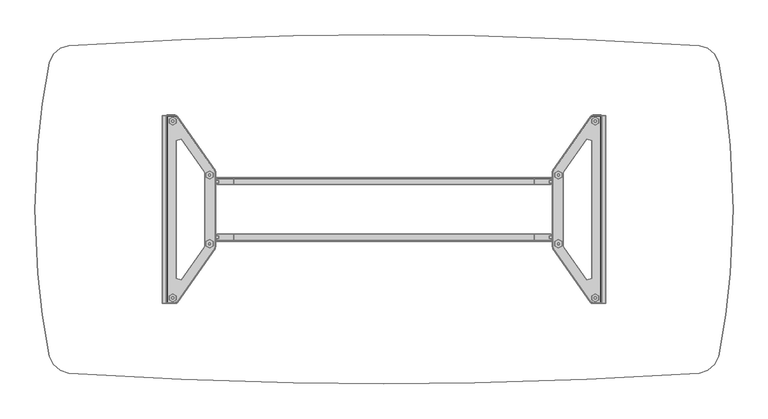
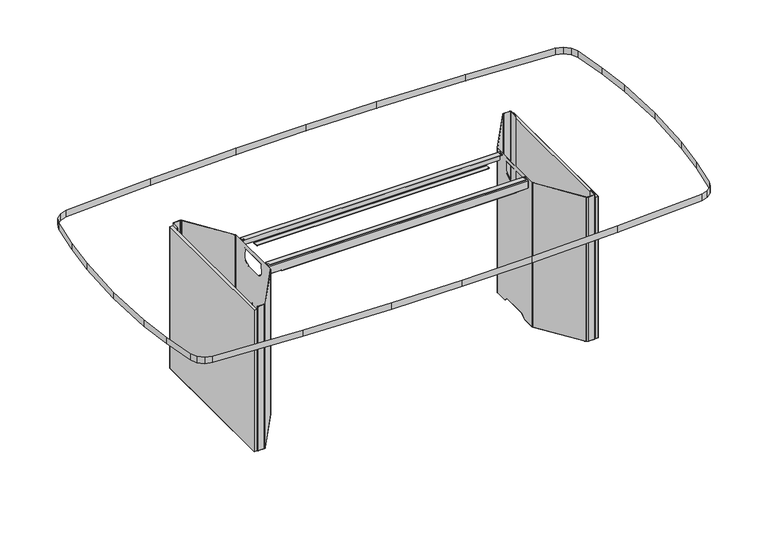
"""IFC4 building model written with IfcOpenShell, lengths in millimetres: furniture geometry."""

from ifc_helpers import new_model, si_unit, origin, place, context, project, spatial, triangles, source, transform, mapped, element, save


def furniture_b16a77d5(model_context):
    return source(origin(), model_context, "Body", "Tessellation", [
        triangles([(583.4141347, 106.9787172, 691.650079), (-583.3861931, 106.9787172, 691.650079), (-583.3861931, 108.4155572, 691.0549118), (583.4141347, 108.4155572, 691.0549118), (-583.3861931, 109.0107153, 689.6180809), (583.4141347, 109.0107153, 689.6180809), (-523.3861854, 109.0107153, 652.8000521), (-523.3861854, 108.3497, 651.4822546), (523.414127, 108.3497, 651.4822546), (523.414127, 109.002549, 652.8000521), (-523.3861854, 106.9787172, 650.9500923), (523.414127, 106.9787172, 650.9500923), (-583.3861931, 109.0107153, 656.3000565), (583.4141347, 109.0107153, 656.3000565), (-581.3862062, 109.0107153, 654.3001059), (581.4141478, 109.0107153, 654.3001059), (-524.8862028, 109.0107153, 654.3001059), (524.9141444, 109.0107153, 654.3001059), (-523.3861854, 88.7107189, 650.9500923), (523.414127, 88.7107189, 650.9500923), (-521.3861984, 86.7107138, 650.9500923), (521.41414, 86.7107138, 650.9500923), (-583.3861931, 101.5907194, 691.650079), (583.4141347, 101.5907194, 691.650079), (581.4141478, 86.7107138, 691.650079), (-581.3862062, 86.7107138, 691.650079), (-583.3861931, 88.7107189, 691.650079), (583.4141347, 88.7107189, 691.650079), (-583.3861931, 92.0907179, 691.650079), (583.4141347, 92.0907179, 691.650079), (-575.7461798, 92.0907179, 691.650079), (-575.7461798, 101.5907194, 691.650079), (575.7741214, 101.5907194, 691.650079), (575.7741214, 92.0907179, 691.650079), (581.4141478, 86.7107138, 694.3000626), (583.4141347, 88.7107189, 694.3000626), (-583.3861931, 88.7107189, 694.3000626), (-581.3862062, 86.7107138, 694.3000626), (583.4141347, 92.0907179, 694.3000626), (-583.3861931, 92.0907179, 694.3000626), (-575.7461798, 92.0907179, 694.3000626), (575.7741214, 92.0907179, 694.3000626), (575.7741214, 101.5907194, 694.3000626), (-575.7461798, 101.5907194, 694.3000626), (-583.3861931, 101.5907194, 694.3000626), (583.4141347, 101.5907194, 694.3000626), (583.4141347, 106.9787172, 694.3000626), (-583.3861931, 106.9787172, 694.3000626), (583.4141347, 110.2893891, 692.92878), (-583.3861931, 110.2893891, 692.92878), (583.4141347, 111.6607171, 689.6180809), (-583.3861931, 111.6607171, 689.6180809), (583.4141347, 111.6607171, 656.3000565), (-583.3861931, 111.6607171, 656.3000565), (581.4141478, 111.6607171, 654.3001059), (-581.3862062, 111.6607171, 654.3001059), (-524.8862028, 111.6607171, 654.3001059), (524.9141444, 111.6607171, 654.3001059), (523.414127, 111.6607171, 652.8000521), (-523.3861854, 111.6607171, 652.8000521), (523.414127, 110.2244039, 649.6076597), (-523.3861854, 110.2244039, 649.6076597), (523.414127, 106.9787172, 648.3001087), (-523.3861854, 106.9787172, 648.3001087), (523.414127, 88.7107189, 648.3001087), (-523.3861854, 88.7107189, 648.3001087), (521.41414, 86.7107138, 648.3001087), (-521.3861984, 86.7107138, 648.3001087), (583.4141347, -108.0461212, 691.0549118), (-583.3861931, -108.0461212, 691.0549118), (-583.3861931, -106.6092812, 691.650079), (583.4141347, -106.6092812, 691.650079), (583.4141347, -108.6412793, 689.6180809), (-583.3861931, -108.6412793, 689.6180809), (523.414127, -108.633113, 652.8000521), (523.414127, -107.980264, 651.4822546), (-523.3861854, -107.980264, 651.4822546), (-523.3861854, -108.6412793, 652.8000521), (523.414127, -106.6092812, 650.9500923), (-523.3861854, -106.6092812, 650.9500923), (583.4141347, -108.6412793, 656.3000565), (-583.3861931, -108.6412793, 656.3000565), (581.4141478, -108.6412793, 654.3001059), (-581.3862062, -108.6412793, 654.3001059), (524.9141444, -108.6412793, 654.3001059), (-524.8862028, -108.6412793, 654.3001059), (523.414127, -88.3412829, 650.9500923), (-523.3861854, -88.3412829, 650.9500923), (521.41414, -86.3412778, 650.9500923), (-521.3861984, -86.3412778, 650.9500923), (583.4141347, -101.2212834, 691.650079), (-583.3861931, -101.2212834, 691.650079), (583.4141347, -88.3412829, 691.650079), (-583.3861931, -88.3412829, 691.650079), (-581.3862062, -86.3412778, 691.650079), (581.4141478, -86.3412778, 691.650079), (583.4141347, -91.7212819, 691.650079), (-583.3861931, -91.7212819, 691.650079), (575.7741214, -91.7212819, 691.650079), (575.7741214, -101.2212834, 691.650079), (-575.7461798, -101.2212834, 691.650079), (-575.7461798, -91.7212819, 691.650079), (-581.3862062, -86.3412778, 694.3000626), (-583.3861931, -88.3412829, 694.3000626), (583.4141347, -88.3412829, 694.3000626), (581.4141478, -86.3412778, 694.3000626), (-583.3861931, -91.7212819, 694.3000626), (583.4141347, -91.7212819, 694.3000626), (-575.7461798, -101.2212834, 694.3000626), (575.7741214, -101.2212834, 694.3000626), (575.7741214, -91.7212819, 694.3000626), (-575.7461798, -91.7212819, 694.3000626), (-583.3861931, -106.6092812, 694.3000626), (583.4141347, -106.6092812, 694.3000626), (583.4141347, -101.2212834, 694.3000626), (-583.3861931, -101.2212834, 694.3000626), (-583.3861931, -109.919953, 692.92878), (583.4141347, -109.919953, 692.92878), (-583.3861931, -111.291281, 689.6180809), (583.4141347, -111.291281, 689.6180809), (-583.3861931, -111.291281, 656.3000565), (583.4141347, -111.291281, 656.3000565), (-581.3862062, -111.291281, 654.3001059), (581.4141478, -111.291281, 654.3001059), (-523.3861854, -111.291281, 652.8000521), (523.414127, -111.291281, 652.8000521), (524.9141444, -111.291281, 654.3001059), (-524.8862028, -111.291281, 654.3001059), (-523.3861854, -109.8549679, 649.6076597), (523.414127, -109.8549679, 649.6076597), (-523.3861854, -106.6092812, 648.3001087), (523.414127, -106.6092812, 648.3001087), (-523.3861854, -88.3412829, 648.3001087), (523.414127, -88.3412829, 648.3001087), (-521.3861984, -86.3412778, 648.3001087), (521.41414, -86.3412778, 648.3001087)], [[1, 2, 3], [1, 3, 4], [3, 5, 6], [3, 6, 4], [7, 8, 9], [7, 9, 10], [9, 8, 11], [9, 11, 12], [6, 5, 13], [6, 13, 14], [13, 15, 16], [13, 16, 14], [17, 7, 10], [17, 10, 18], [12, 11, 19], [12, 19, 20], [19, 21, 22], [19, 22, 20], [23, 2, 1], [23, 1, 24], [25, 26, 27], [25, 27, 28], [27, 29, 30], [27, 30, 28], [31, 32, 33], [31, 33, 34], [35, 36, 37], [35, 37, 38], [37, 36, 39], [37, 39, 40], [41, 42, 43], [41, 43, 44], [45, 46, 47], [45, 47, 48], [47, 49, 50], [47, 50, 48], [50, 49, 51], [50, 51, 52], [51, 53, 54], [51, 54, 52], [54, 53, 55], [54, 55, 56], [57, 58, 59], [57, 59, 60], [59, 61, 62], [59, 62, 60], [62, 61, 63], [62, 63, 64], [63, 65, 66], [63, 66, 64], [66, 65, 67], [66, 67, 68], [28, 36, 35], [28, 35, 25], [39, 36, 28], [39, 28, 30], [34, 42, 39], [34, 39, 30], [43, 42, 34], [43, 34, 33], [24, 46, 43], [24, 43, 33], [47, 46, 24], [47, 24, 1], [4, 49, 47], [4, 47, 1], [51, 49, 4], [51, 4, 6], [14, 53, 51], [14, 51, 6], [55, 53, 14], [55, 14, 16], [18, 58, 55], [18, 55, 16], [59, 58, 18], [59, 18, 10], [9, 61, 59], [9, 59, 10], [63, 61, 9], [63, 9, 12], [65, 63, 12], [65, 12, 20], [22, 67, 20], [67, 65, 20], [22, 21, 68], [22, 68, 67], [35, 38, 26], [35, 26, 25], [26, 38, 37], [26, 37, 27], [37, 40, 27], [40, 29, 27], [29, 40, 41], [29, 41, 31], [41, 44, 31], [44, 32, 31], [32, 44, 45], [32, 45, 23], [45, 48, 23], [48, 2, 23], [2, 48, 50], [2, 50, 3], [50, 52, 5], [50, 5, 3], [5, 52, 54], [5, 54, 13], [54, 56, 15], [54, 15, 13], [15, 56, 57], [15, 57, 17], [57, 60, 7], [57, 7, 17], [7, 60, 62], [7, 62, 8], [62, 64, 11], [62, 11, 8], [64, 66, 19], [64, 19, 11], [19, 66, 68], [19, 68, 21], [69, 70, 71], [69, 71, 72], [69, 73, 74], [69, 74, 70], [75, 76, 77], [75, 77, 78], [79, 80, 77], [79, 77, 76], [81, 82, 74], [81, 74, 73], [81, 83, 84], [81, 84, 82], [85, 75, 78], [85, 78, 86], [87, 88, 80], [87, 80, 79], [87, 89, 90], [87, 90, 88], [91, 72, 71], [91, 71, 92], [93, 94, 95], [93, 95, 96], [93, 97, 98], [93, 98, 94], [99, 100, 101], [99, 101, 102], [103, 104, 105], [103, 105, 106], [107, 108, 105], [107, 105, 104], [109, 110, 111], [109, 111, 112], [113, 114, 115], [113, 115, 116], [113, 117, 118], [113, 118, 114], [119, 120, 118], [119, 118, 117], [119, 121, 122], [119, 122, 120], [123, 124, 122], [123, 122, 121], [125, 126, 127], [125, 127, 128], [125, 129, 130], [125, 130, 126], [131, 132, 130], [131, 130, 129], [131, 133, 134], [131, 134, 132], [135, 136, 134], [135, 134, 133], [96, 106, 105], [96, 105, 93], [97, 93, 105], [97, 105, 108], [97, 108, 111], [97, 111, 99], [100, 99, 111], [100, 111, 110], [100, 110, 115], [100, 115, 91], [72, 91, 115], [72, 115, 114], [72, 114, 118], [72, 118, 69], [73, 69, 118], [73, 118, 120], [73, 120, 122], [73, 122, 81], [83, 81, 122], [83, 122, 124], [83, 124, 127], [83, 127, 85], [75, 85, 127], [75, 127, 126], [75, 126, 130], [75, 130, 76], [79, 76, 132], [76, 130, 132], [87, 79, 134], [79, 132, 134], [87, 134, 136], [87, 136, 89], [136, 135, 90], [136, 90, 89], [96, 95, 103], [96, 103, 106], [94, 104, 103], [94, 103, 95], [94, 98, 107], [94, 107, 104], [102, 112, 107], [102, 107, 98], [102, 101, 109], [102, 109, 112], [92, 116, 109], [92, 109, 101], [92, 71, 113], [92, 113, 116], [70, 117, 113], [70, 113, 71], [70, 74, 117], [74, 119, 117], [82, 121, 119], [82, 119, 74], [82, 84, 121], [84, 123, 121], [86, 128, 123], [86, 123, 84], [86, 78, 128], [78, 125, 128], [77, 129, 125], [77, 125, 78], [77, 80, 131], [77, 131, 129], [80, 88, 133], [80, 133, 131], [90, 135, 88], [135, 133, 88]], closed=False),
        triangles([(741.7913498, 308.8000102, 68.9610977), (740.3964495, 305.4324105, 68.9610977), (740.3964495, 305.4324105, 7.8740998), (741.7913498, 308.8000102, 7.8740998), (737.0288498, 304.037492, 68.9610977), (737.0288498, 304.037492, 7.8740998), (733.6612501, 305.4324105, 68.9610977), (733.6612501, 305.4324105, 7.8740998), (732.2663498, 308.8000102, 68.9610977), (732.2663498, 308.8000102, 7.8740998), (733.6612501, 312.1676099, 68.9610977), (733.6612501, 312.1676099, 7.8740998), (737.0288498, 313.5625102, 68.9610977), (737.0288498, 313.5625102, 7.8740998), (740.3964495, 312.1676099, 68.9610977), (740.3964495, 312.1676099, 7.8740998), (737.0288498, 311.7082993, 0.0001), (734.4888159, 310.2917433, 0.0001), (724.3288256, 316.2587482, 3.669326), (737.0288498, 323.3414918, 3.5708925), (734.4888159, 307.3082408, 0.0001), (724.3288256, 301.3412358, 3.669326), (737.0288498, 305.8916848, 0.0001), (737.0288498, 294.2584923, 3.5708925), (739.5688837, 307.3082408, 0.0001), (749.728874, 301.3412358, 3.669326), (739.5688837, 310.2917433, 0.0001), (749.728874, 316.2587482, 3.669326), (724.3288256, 301.3412358, 7.8740998), (724.3288256, 316.2587482, 7.8740998), (737.0288498, 323.3414918, 7.8740998), (749.728874, 316.2587482, 7.8740998), (749.728874, 301.3412358, 7.8740998), (737.0288498, 294.2584923, 7.8740998), (613.3413414, 119.9993887, 68.9610977), (611.9464411, 116.6317981, 68.9610977), (611.9464411, 116.6317981, 7.8740998), (613.3413414, 119.9993887, 7.8740998), (608.5788777, 115.2368887, 68.9610977), (608.5788777, 115.2368887, 7.8740998), (605.2112781, 116.6317981, 68.9610977), (605.2112781, 116.6317981, 7.8740998), (603.8163777, 119.9993887, 68.9610977), (603.8163777, 119.9993887, 7.8740998), (605.2112781, 123.3669883, 68.9610977), (605.2112781, 123.3669883, 7.8740998), (608.5788777, 124.7618887, 68.9610977), (608.5788777, 124.7618887, 7.8740998), (611.9464411, 123.3669883, 68.9610977), (611.9464411, 123.3669883, 7.8740998), (608.5788777, 122.9076868, 0.0001), (606.0388438, 121.4911399, 0.0001), (595.8788535, 127.4581449, 3.669326), (608.5788777, 134.5408884, 3.5708925), (606.0388438, 118.5076374, 0.0001), (595.8788535, 112.5406325, 3.669326), (608.5788777, 117.0910905, 0.0001), (608.5788777, 105.4578889, 3.5708925), (611.1188753, 118.5076374, 0.0001), (621.2788656, 112.5406325, 3.669326), (611.1188753, 121.4911399, 0.0001), (621.2788656, 127.4581449, 3.669326), (595.8788535, 112.5406325, 7.8740998), (595.8788535, 127.4581449, 7.8740998), (608.5788777, 134.5408884, 7.8740998), (621.2788656, 127.4581449, 7.8740998), (621.2788656, 112.5406325, 7.8740998), (608.5788777, 105.4578889, 7.8740998), (613.3413414, -120.0006059, 68.9610977), (611.9464411, -123.3682056, 68.9610977), (611.9464411, -123.3682056, 7.8740998), (613.3413414, -120.0006059, 7.8740998), (608.5788777, -124.7631059, 68.9610977), (608.5788777, -124.7631059, 7.8740998), (605.2112781, -123.3682056, 68.9610977), (605.2112781, -123.3682056, 7.8740998), (603.8163777, -120.0006059, 68.9610977), (603.8163777, -120.0006059, 7.8740998), (605.2112781, -116.6330153, 68.9610977), (605.2112781, -116.6330153, 7.8740998), (608.5788777, -115.2381059, 68.9610977), (608.5788777, -115.2381059, 7.8740998), (611.9464411, -116.6330153, 68.9610977), (611.9464411, -116.6330153, 7.8740998), (608.5788777, -117.0923078, 0.0001), (606.0388438, -118.5088547, 0.0001), (595.8788535, -112.5418497, 3.669326), (608.5788777, -105.4591061, 3.5708925), (606.0388438, -121.4923662, 0.0001), (595.8788535, -127.4593712, 3.669326), (608.5788777, -122.9089131, 0.0001), (608.5788777, -134.5421057, 3.5708925), (611.1188753, -121.4923662, 0.0001), (621.2788656, -127.4593712, 3.669326), (611.1188753, -118.5088547, 0.0001), (621.2788656, -112.5418497, 3.669326), (595.8788535, -127.4593712, 7.8740998), (595.8788535, -112.5418497, 7.8740998), (608.5788777, -105.4591061, 7.8740998), (621.2788656, -112.5418497, 7.8740998), (621.2788656, -127.4593712, 7.8740998), (608.5788777, -134.5421057, 7.8740998), (741.7913498, -308.8000102, 68.9610977), (740.3964495, -312.1676099, 68.9610977), (740.3964495, -312.1676099, 7.8740998), (741.7913498, -308.8000102, 7.8740998), (737.0288498, -313.5625102, 68.9610977), (737.0288498, -313.5625102, 7.8740998), (733.6612501, -312.1676099, 68.9610977), (733.6612501, -312.1676099, 7.8740998), (732.2663498, -308.8000102, 68.9610977), (732.2663498, -308.8000102, 7.8740998), (733.6612501, -305.4324105, 68.9610977), (733.6612501, -305.4324105, 7.8740998), (737.0288498, -304.037492, 68.9610977), (737.0288498, -304.037492, 7.8740998), (740.3964495, -305.4324105, 68.9610977), (740.3964495, -305.4324105, 7.8740998), (737.0288498, -305.8916848, 0.0001), (734.4888159, -307.3082408, 0.0001), (724.3288256, -301.3412358, 3.669326), (737.0288498, -294.2584923, 3.5708925), (734.4888159, -310.2917433, 0.0001), (724.3288256, -316.2587482, 3.669326), (737.0288498, -311.7082993, 0.0001), (737.0288498, -323.3414918, 3.5708925), (739.5688837, -310.2917433, 0.0001), (749.728874, -316.2587482, 3.669326), (739.5688837, -307.3082408, 0.0001), (749.728874, -301.3412358, 3.669326), (724.3288256, -316.2587482, 7.8740998), (724.3288256, -301.3412358, 7.8740998), (737.0288498, -294.2584923, 7.8740998), (749.728874, -301.3412358, 7.8740998), (749.728874, -316.2587482, 7.8740998), (737.0288498, -323.3414918, 7.8740998), (-741.8023956, 308.8000102, 7.8740998), (-740.4074953, 305.4324105, 7.8740998), (-740.4074953, 305.4324105, 68.9610977), (-741.8023956, 308.8000102, 68.9610977), (-737.0398956, 304.037492, 7.8740998), (-737.0398956, 304.037492, 68.9610977), (-733.672296, 305.4324105, 7.8740998), (-733.672296, 305.4324105, 68.9610977), (-732.2773956, 308.8000102, 7.8740998), (-732.2773956, 308.8000102, 68.9610977), (-733.672296, 312.1676099, 7.8740998), (-733.672296, 312.1676099, 68.9610977), (-737.0398956, 313.5625102, 7.8740998), (-737.0398956, 313.5625102, 68.9610977), (-740.4074953, 312.1676099, 7.8740998), (-740.4074953, 312.1676099, 68.9610977), (-737.0398956, 323.3414918, 3.5708925), (-724.3398714, 316.2587482, 3.669326), (-734.4998617, 310.2917433, 0.0001), (-737.0398956, 311.7082993, 0.0001), (-734.4998617, 307.3082408, 0.0001), (-724.3398714, 301.3412358, 3.669326), (-737.0398956, 294.2584923, 3.5708925), (-737.0398956, 305.8916848, 0.0001), (-749.7398472, 301.3412358, 3.669326), (-739.5798569, 307.3082408, 0.0001), (-749.7398472, 316.2587482, 3.669326), (-739.5798569, 310.2917433, 0.0001), (-724.3398714, 316.2587482, 7.8740998), (-724.3398714, 301.3412358, 7.8740998), (-737.0398956, 323.3414918, 7.8740998), (-749.7398472, 316.2587482, 7.8740998), (-749.7398472, 301.3412358, 7.8740998), (-737.0398956, 294.2584923, 7.8740998), (-613.3523872, 119.9993887, 7.8740998), (-611.9574869, 116.6317981, 7.8740998), (-611.9574869, 116.6317981, 68.9610977), (-613.3523872, 119.9993887, 68.9610977), (-608.5898872, 115.2368887, 7.8740998), (-608.5898872, 115.2368887, 68.9610977), (-605.2222876, 116.6317981, 7.8740998), (-605.2222876, 116.6317981, 68.9610977), (-603.8273872, 119.9993887, 7.8740998), (-603.8273872, 119.9993887, 68.9610977), (-605.2222876, 123.3669883, 7.8740998), (-605.2222876, 123.3669883, 68.9610977), (-608.5898872, 124.7618887, 7.8740998), (-608.5898872, 124.7618887, 68.9610977), (-611.9574869, 123.3669883, 7.8740998), (-611.9574869, 123.3669883, 68.9610977), (-608.5898872, 134.5408884, 3.5708925), (-595.8898993, 127.4581449, 3.669326), (-606.0498897, 121.4911399, 0.0001), (-608.5898872, 122.9076868, 0.0001), (-606.0498897, 118.5076374, 0.0001), (-595.8898993, 112.5406325, 3.669326), (-608.5898872, 105.4578889, 3.5708925), (-608.5898872, 117.0910905, 0.0001), (-621.2899115, 112.5406325, 3.669326), (-611.1298485, 118.5076374, 0.0001), (-621.2899115, 127.4581449, 3.669326), (-611.1298485, 121.4911399, 0.0001), (-595.8898993, 127.4581449, 7.8740998), (-595.8898993, 112.5406325, 7.8740998), (-608.5898872, 134.5408884, 7.8740998), (-621.2899115, 127.4581449, 7.8740998), (-621.2899115, 112.5406325, 7.8740998), (-608.5898872, 105.4578889, 7.8740998), (-613.3523872, -120.0006059, 7.8740998), (-611.9574869, -123.3682056, 7.8740998), (-611.9574869, -123.3682056, 68.9610977), (-613.3523872, -120.0006059, 68.9610977), (-608.5898872, -124.7631059, 7.8740998), (-608.5898872, -124.7631059, 68.9610977), (-605.2222876, -123.3682056, 7.8740998), (-605.2222876, -123.3682056, 68.9610977), (-603.8273872, -120.0006059, 7.8740998), (-603.8273872, -120.0006059, 68.9610977), (-605.2222876, -116.6330153, 7.8740998), (-605.2222876, -116.6330153, 68.9610977), (-608.5898872, -115.2381059, 7.8740998), (-608.5898872, -115.2381059, 68.9610977), (-611.9574869, -116.6330153, 7.8740998), (-611.9574869, -116.6330153, 68.9610977), (-608.5898872, -105.4591061, 3.5708925), (-595.8898993, -112.5418497, 3.669326), (-606.0498897, -118.5088547, 0.0001), (-608.5898872, -117.0923078, 0.0001), (-606.0498897, -121.4923662, 0.0001), (-595.8898993, -127.4593712, 3.669326), (-608.5898872, -134.5421057, 3.5708925), (-608.5898872, -122.9089131, 0.0001), (-621.2899115, -127.4593712, 3.669326), (-611.1298485, -121.4923662, 0.0001), (-621.2899115, -112.5418497, 3.669326), (-611.1298485, -118.5088547, 0.0001), (-595.8898993, -112.5418497, 7.8740998), (-595.8898993, -127.4593712, 7.8740998), (-608.5898872, -105.4591061, 7.8740998), (-621.2899115, -112.5418497, 7.8740998), (-621.2899115, -127.4593712, 7.8740998), (-608.5898872, -134.5421057, 7.8740998), (-741.8023956, -308.8000102, 7.8740998), (-740.4074953, -312.1676099, 7.8740998), (-740.4074953, -312.1676099, 68.9610977), (-741.8023956, -308.8000102, 68.9610977), (-737.0398956, -313.5625102, 7.8740998), (-737.0398956, -313.5625102, 68.9610977), (-733.672296, -312.1676099, 7.8740998), (-733.672296, -312.1676099, 68.9610977), (-732.2773956, -308.8000102, 7.8740998), (-732.2773956, -308.8000102, 68.9610977), (-733.672296, -305.4324105, 7.8740998), (-733.672296, -305.4324105, 68.9610977), (-737.0398956, -304.037492, 7.8740998), (-737.0398956, -304.037492, 68.9610977), (-740.4074953, -305.4324105, 7.8740998), (-740.4074953, -305.4324105, 68.9610977), (-737.0398956, -294.2584923, 3.5708925), (-724.3398714, -301.3412358, 3.669326), (-734.4998617, -307.3082408, 0.0001), (-737.0398956, -305.8916848, 0.0001), (-734.4998617, -310.2917433, 0.0001), (-724.3398714, -316.2587482, 3.669326), (-737.0398956, -323.3414918, 3.5708925), (-737.0398956, -311.7082993, 0.0001), (-749.7398472, -316.2587482, 3.669326), (-739.5798569, -310.2917433, 0.0001), (-749.7398472, -301.3412358, 3.669326), (-739.5798569, -307.3082408, 0.0001), (-724.3398714, -301.3412358, 7.8740998), (-724.3398714, -316.2587482, 7.8740998), (-737.0398956, -294.2584923, 7.8740998), (-749.7398472, -301.3412358, 7.8740998), (-749.7398472, -316.2587482, 7.8740998), (-737.0398956, -323.3414918, 7.8740998)], [[1, 2, 3], [1, 3, 4], [2, 5, 6], [2, 6, 3], [5, 7, 8], [5, 8, 6], [7, 9, 10], [7, 10, 8], [9, 11, 12], [9, 12, 10], [11, 13, 14], [11, 14, 12], [13, 15, 16], [13, 16, 14], [15, 1, 4], [15, 4, 16], [17, 18, 19], [17, 19, 20], [21, 22, 18], [22, 19, 18], [21, 23, 24], [21, 24, 22], [25, 26, 24], [25, 24, 23], [25, 27, 28], [25, 28, 26], [17, 20, 28], [17, 28, 27], [25, 18, 17], [25, 17, 27], [25, 23, 21], [25, 21, 18], [29, 30, 19], [29, 19, 22], [31, 20, 19], [31, 19, 30], [31, 32, 28], [31, 28, 20], [33, 26, 28], [33, 28, 32], [33, 34, 24], [33, 24, 26], [29, 22, 24], [29, 24, 34], [31, 30, 32], [30, 33, 32], [29, 34, 33], [29, 33, 30], [35, 36, 37], [35, 37, 38], [36, 39, 40], [36, 40, 37], [39, 41, 42], [39, 42, 40], [41, 43, 44], [41, 44, 42], [43, 45, 46], [43, 46, 44], [45, 47, 48], [45, 48, 46], [47, 49, 50], [47, 50, 48], [49, 35, 38], [49, 38, 50], [51, 52, 53], [51, 53, 54], [55, 56, 52], [56, 53, 52], [55, 57, 58], [55, 58, 56], [59, 60, 58], [59, 58, 57], [59, 61, 62], [59, 62, 60], [51, 54, 62], [51, 62, 61], [59, 52, 51], [59, 51, 61], [59, 57, 55], [59, 55, 52], [63, 64, 53], [63, 53, 56], [65, 54, 53], [65, 53, 64], [65, 66, 62], [65, 62, 54], [67, 60, 62], [67, 62, 66], [67, 68, 58], [67, 58, 60], [63, 56, 58], [63, 58, 68], [65, 64, 66], [64, 67, 66], [63, 68, 67], [63, 67, 64], [69, 70, 71], [69, 71, 72], [70, 73, 74], [70, 74, 71], [73, 75, 76], [73, 76, 74], [75, 77, 78], [75, 78, 76], [77, 79, 80], [77, 80, 78], [79, 81, 82], [79, 82, 80], [81, 83, 84], [81, 84, 82], [83, 69, 72], [83, 72, 84], [85, 86, 87], [85, 87, 88], [89, 90, 86], [90, 87, 86], [89, 91, 92], [89, 92, 90], [93, 94, 92], [93, 92, 91], [93, 95, 96], [93, 96, 94], [85, 88, 96], [85, 96, 95], [93, 86, 95], [86, 85, 95], [93, 91, 89], [93, 89, 86], [97, 98, 87], [97, 87, 90], [99, 88, 87], [99, 87, 98], [99, 100, 96], [99, 96, 88], [101, 94, 96], [101, 96, 100], [101, 102, 92], [101, 92, 94], [97, 90, 92], [97, 92, 102], [99, 98, 101], [99, 101, 100], [97, 102, 101], [97, 101, 98], [103, 104, 105], [103, 105, 106], [104, 107, 108], [104, 108, 105], [107, 109, 110], [107, 110, 108], [109, 111, 112], [109, 112, 110], [111, 113, 114], [111, 114, 112], [113, 115, 116], [113, 116, 114], [115, 117, 118], [115, 118, 116], [117, 103, 106], [117, 106, 118], [119, 120, 121], [119, 121, 122], [123, 124, 120], [124, 121, 120], [123, 125, 126], [123, 126, 124], [127, 128, 126], [127, 126, 125], [127, 129, 130], [127, 130, 128], [119, 122, 130], [119, 130, 129], [127, 120, 129], [120, 119, 129], [127, 125, 123], [127, 123, 120], [131, 132, 121], [131, 121, 124], [133, 122, 121], [133, 121, 132], [133, 134, 130], [133, 130, 122], [135, 128, 130], [135, 130, 134], [135, 136, 126], [135, 126, 128], [131, 124, 126], [131, 126, 136], [133, 132, 135], [133, 135, 134], [131, 136, 135], [131, 135, 132], [137, 138, 139], [137, 139, 140], [138, 141, 142], [138, 142, 139], [141, 143, 144], [141, 144, 142], [143, 145, 146], [143, 146, 144], [145, 147, 148], [145, 148, 146], [147, 149, 150], [147, 150, 148], [149, 151, 152], [149, 152, 150], [151, 137, 140], [151, 140, 152], [153, 154, 155], [153, 155, 156], [155, 154, 157], [154, 158, 157], [158, 159, 160], [158, 160, 157], [160, 159, 161], [160, 161, 162], [161, 163, 164], [161, 164, 162], [164, 163, 153], [164, 153, 156], [164, 156, 155], [164, 155, 162], [155, 157, 162], [157, 160, 162], [158, 154, 165], [158, 165, 166], [165, 154, 153], [165, 153, 167], [153, 163, 168], [153, 168, 167], [168, 163, 161], [168, 161, 169], [161, 159, 170], [161, 170, 169], [170, 159, 158], [170, 158, 166], [168, 169, 165], [168, 165, 167], [165, 169, 166], [169, 170, 166], [171, 172, 173], [171, 173, 174], [172, 175, 176], [172, 176, 173], [175, 177, 178], [175, 178, 176], [177, 179, 180], [177, 180, 178], [179, 181, 182], [179, 182, 180], [181, 183, 184], [181, 184, 182], [183, 185, 186], [183, 186, 184], [185, 171, 174], [185, 174, 186], [187, 188, 189], [187, 189, 190], [189, 188, 191], [188, 192, 191], [192, 193, 194], [192, 194, 191], [194, 193, 195], [194, 195, 196], [195, 197, 198], [195, 198, 196], [198, 197, 187], [198, 187, 190], [198, 190, 189], [198, 189, 196], [189, 191, 196], [191, 194, 196], [192, 188, 199], [192, 199, 200], [199, 188, 187], [199, 187, 201], [187, 197, 202], [187, 202, 201], [202, 197, 195], [202, 195, 203], [195, 193, 204], [195, 204, 203], [204, 193, 192], [204, 192, 200], [202, 203, 199], [202, 199, 201], [199, 203, 200], [203, 204, 200], [205, 206, 207], [205, 207, 208], [206, 209, 210], [206, 210, 207], [209, 211, 212], [209, 212, 210], [211, 213, 214], [211, 214, 212], [213, 215, 216], [213, 216, 214], [215, 217, 218], [215, 218, 216], [217, 219, 220], [217, 220, 218], [219, 205, 208], [219, 208, 220], [221, 222, 223], [221, 223, 224], [223, 222, 225], [222, 226, 225], [226, 227, 228], [226, 228, 225], [228, 227, 229], [228, 229, 230], [229, 231, 232], [229, 232, 230], [232, 231, 221], [232, 221, 224], [232, 224, 223], [232, 223, 230], [223, 225, 228], [223, 228, 230], [226, 222, 233], [226, 233, 234], [233, 222, 221], [233, 221, 235], [221, 231, 236], [221, 236, 235], [236, 231, 229], [236, 229, 237], [229, 227, 238], [229, 238, 237], [238, 227, 226], [238, 226, 234], [236, 237, 233], [236, 233, 235], [233, 237, 238], [233, 238, 234], [239, 240, 241], [239, 241, 242], [240, 243, 244], [240, 244, 241], [243, 245, 246], [243, 246, 244], [245, 247, 248], [245, 248, 246], [247, 249, 250], [247, 250, 248], [249, 251, 252], [249, 252, 250], [251, 253, 254], [251, 254, 252], [253, 239, 242], [253, 242, 254], [255, 256, 257], [255, 257, 258], [257, 256, 259], [256, 260, 259], [260, 261, 262], [260, 262, 259], [262, 261, 263], [262, 263, 264], [263, 265, 266], [263, 266, 264], [266, 265, 255], [266, 255, 258], [266, 258, 257], [266, 257, 264], [257, 259, 262], [257, 262, 264], [260, 256, 267], [260, 267, 268], [267, 256, 255], [267, 255, 269], [255, 265, 270], [255, 270, 269], [270, 265, 263], [270, 263, 271], [263, 261, 272], [263, 272, 271], [272, 261, 260], [272, 260, 268], [270, 271, 267], [270, 267, 269], [267, 271, 272], [267, 272, 268]], closed=False),
        triangles([(627.8873285, 133.7546174, 26.8492991), (627.8873285, 133.7546174, 25.3492998), (706.837306, 246.5212717, 26.8492991), (706.837306, 246.5212717, 25.3492998), (626.0788633, 128.0188756, 26.8492991), (626.0788633, 128.0188756, 25.3492998), (626.0788633, -128.0201019, 26.8492991), (626.0788633, -128.0201019, 25.3492998), (627.8873285, -133.7558346, 26.8492991), (627.8873285, -133.7558346, 25.3492998), (706.837306, -246.5212717, 26.8492991), (706.837306, -246.5212717, 25.3492998), (725.0288555, -240.7855389, 26.8492991), (725.0288555, -240.7855389, 25.3492998), (725.0288555, 240.7855389, 26.8492991), (725.0288555, 240.7855389, 25.3492998), (755.0288412, 324.8000147, 25.3492998), (755.0288412, -324.8000147, 25.3492998), (728.1485779, 324.8000147, 25.3492998), (723.2336163, 322.2414499, 25.3492998), (592.887321, 136.0727353, 25.3492998), (591.0788558, 130.3370026, 25.3492998), (591.0788558, -130.3382198, 25.3492998), (592.887321, -136.0739616, 25.3492998), (723.2336163, -322.2414499, 25.3492998), (728.1485779, -324.8000147, 25.3492998), (588.8288478, 40.598721, 605.589489), (588.8288478, 33.715804, 603.4193089), (588.8288478, 61.3823089, 620.1423071), (588.8288478, 55.9641076, 25.3492998), (588.8288478, -61.3835261, 620.1423071), (588.8288478, -40.5999428, 605.589489), (588.8288478, -33.7170235, 603.4193089), (588.8288478, -55.9653294, 25.3492998), (588.8288478, -66.5006102, 629.9721577), (588.8288478, -131.5205877, 693.4193024), (588.8288478, 131.5193614, 693.4193024), (588.8288478, 66.4993884, 629.9721577), (588.8288478, 63.4993899, 675.1693262), (588.8288478, 66.4993884, 672.1692913), (588.8288478, -66.5006102, 672.1692913), (588.8288478, -63.5006116, 675.1693262), (587.3288667, 55.9641076, 25.3492998), (587.3288667, 33.715804, 603.4193089), (587.3288667, 40.598721, 605.589489), (587.3288667, 61.3823089, 620.1423071), (587.3288667, -33.7170235, 603.4193089), (587.3288667, -40.5999428, 605.589489), (587.3288667, -61.3835261, 620.1423071), (587.3288667, -55.9653294, 25.3492998), (587.3288667, -66.5006102, 629.9721577), (587.3288667, -131.5205877, 693.4193024), (587.3288667, 66.4993884, 629.9721577), (587.3288667, 131.5193614, 693.4193024), (587.3288667, 66.4993884, 672.1692913), (587.3288667, 63.4993899, 675.1693262), (587.3288667, -63.5006116, 675.1693262), (587.3288667, -66.5006102, 672.1692913), (758.7788303, 295.124991, 693.4193024), (758.7788303, 292.1249924, 690.4192675), (760.2788841, 292.1249924, 690.4192675), (760.2788841, 295.124991, 693.4193024), (758.7788303, 326.2999958, 693.4193024), (760.2788841, 326.2999958, 693.4193024), (758.0288761, 328.5500038, 693.4193024), (758.0288761, 327.0499864, 693.4193024), (728.2786572, 327.0499864, 693.4193024), (728.2786572, 328.5500038, 693.4193024), (724.353824, 326.0895799, 693.4193024), (723.6612064, 327.4200946, 693.4193024), (721.3158554, 323.4253893, 693.4193024), (720.0871513, 324.2857292, 693.4193024), (589.1373319, 137.2551032, 693.4193024), (590.3660359, 136.3947451, 693.4193024), (589.2222467, 134.0753554, 693.4193024), (587.7917018, 134.5264089, 693.4193024), (760.2788841, 292.1249924, 10.8493003), (758.7788303, 292.1249924, 10.8493003), (760.2788841, 295.124991, 7.8493), (758.7788303, 295.124991, 7.8493), (760.2788841, 326.2999958, 7.8493), (758.7788303, 326.2999958, 7.8493), (758.0288761, 328.5500038, 7.8493), (758.0288761, 327.0499864, 7.8493), (728.2786572, 327.0499864, 7.8493), (728.2786572, 328.5500038, 7.8493), (723.6612064, 327.4200946, 7.8493), (724.353824, 326.0895799, 7.8493), (720.0871513, 324.2857292, 7.8493), (721.3158554, 323.4253893, 7.8493), (589.1373319, 137.2551032, 7.8493), (590.3660359, 136.3947451, 7.8493), (589.2222467, 134.0753554, 7.8493), (587.7917018, 134.5264089, 7.8493), (587.3288667, 131.5193614, 7.8493), (588.8288478, 131.5193614, 7.8493), (588.8288478, 78.4346746, 7.8493), (587.3288667, 78.4346746, 7.8493), (587.3288667, 74.1920285, 9.6066595), (588.8288478, 74.1920285, 9.6066595), (588.8288478, 60.2067493, 23.5919398), (587.3288667, 60.2067493, 23.5919398), (760.2788841, -326.2999958, 693.4193024), (758.7788303, -326.2999958, 693.4193024), (758.7788303, -295.124991, 693.4193024), (760.2788841, -295.124991, 693.4193024), (758.0288761, -327.0499864, 693.4193024), (758.0288761, -328.5500038, 693.4193024), (728.2786572, -328.5500038, 693.4193024), (728.2786572, -327.0499864, 693.4193024), (724.353824, -326.0895799, 693.4193024), (723.6612064, -327.4200946, 693.4193024), (720.0871513, -324.2857292, 693.4193024), (721.3158554, -323.4253893, 693.4193024), (590.3660359, -136.3959623, 693.4193024), (589.1373319, -137.2563204, 693.4193024), (587.7917018, -134.5276262, 693.4193024), (589.2222467, -134.0765727, 693.4193024), (760.2788841, -295.124991, 7.8493), (758.7788303, -295.124991, 7.8493), (758.7788303, -292.1249924, 10.8493003), (760.2788841, -292.1249924, 10.8493003), (760.2788841, -326.2999958, 7.8493), (758.7788303, -326.2999958, 7.8493), (758.0288761, -328.5500038, 7.8493), (758.0288761, -327.0499864, 7.8493), (728.2786572, -328.5500038, 7.8493), (728.2786572, -327.0499864, 7.8493), (723.6612064, -327.4200946, 7.8493), (724.353824, -326.0895799, 7.8493), (720.0871513, -324.2857292, 7.8493), (721.3158554, -323.4253893, 7.8493), (589.1373319, -137.2563204, 7.8493), (590.3660359, -136.3959623, 7.8493), (587.7917018, -134.5276262, 7.8493), (589.2222467, -134.0765727, 7.8493), (587.3288667, -131.5205877, 7.8493), (588.8288478, -131.5205877, 7.8493), (587.3288667, -78.4358919, 7.8493), (588.8288478, -78.4358919, 7.8493), (587.3288667, -74.1932502, 9.6066595), (588.8288478, -74.1932502, 9.6066595), (587.3288667, -60.207971, 23.5919398), (588.8288478, -60.207971, 23.5919398), (758.7788303, -292.1249924, 690.4192675), (760.2788841, -292.1249924, 690.4192675), (-706.8483519, 246.5212717, 26.8492991), (-706.8483519, 246.5212717, 25.3492998), (-627.8983744, 133.7546174, 25.3492998), (-627.8983744, 133.7546174, 26.8492991), (-626.0899092, 128.0188756, 25.3492998), (-626.0899092, 128.0188756, 26.8492991), (-626.0899092, -128.0201019, 25.3492998), (-626.0899092, -128.0201019, 26.8492991), (-627.8983744, -133.7558346, 25.3492998), (-627.8983744, -133.7558346, 26.8492991), (-706.8483519, -246.5212717, 26.8492991), (-706.8483519, -246.5212717, 25.3492998), (-725.0399014, -240.7855389, 25.3492998), (-725.0399014, -240.7855389, 26.8492991), (-725.0399014, 240.7855389, 25.3492998), (-725.0399014, 240.7855389, 26.8492991), (-755.039887, -324.8000147, 25.3492998), (-755.039887, 324.8000147, 25.3492998), (-728.159551, 324.8000147, 25.3492998), (-723.2446621, 322.2414499, 25.3492998), (-592.8983305, 136.0727353, 25.3492998), (-591.0899016, 130.3370026, 25.3492998), (-591.0899016, -130.3382198, 25.3492998), (-592.8983305, -136.0739616, 25.3492998), (-723.2446621, -322.2414499, 25.3492998), (-728.159551, -324.8000147, 25.3492998), (-588.8398936, 61.3823089, 620.1423071), (-588.8398936, 55.9641076, 25.3492998), (-588.8398936, 33.715804, 603.4193089), (-588.8398936, 40.598721, 605.589489), (-588.8398936, -55.9653294, 25.3492998), (-588.8398936, -33.7170235, 603.4193089), (-588.8398936, -40.5999428, 605.589489), (-588.8398936, -61.3835261, 620.1423071), (-588.8398936, -131.5205877, 693.4193024), (-588.8398936, -66.5006102, 629.9721577), (-588.8398936, 66.4993884, 629.9721577), (-588.8398936, 131.5193614, 693.4193024), (-588.8398936, 66.4993884, 672.1692913), (-588.8398936, 63.4993899, 675.1693262), (-588.8398936, -63.5006116, 675.1693262), (-588.8398936, -66.5006102, 672.1692913), (-587.3398762, 61.3823089, 620.1423071), (-587.3398762, 40.598721, 605.589489), (-587.3398762, 33.715804, 603.4193089), (-587.3398762, 55.9641076, 25.3492998), (-587.3398762, -55.9653294, 25.3492998), (-587.3398762, -61.3835261, 620.1423071), (-587.3398762, -40.5999428, 605.589489), (-587.3398762, -33.7170235, 603.4193089), (-587.3398762, -131.5205877, 693.4193024), (-587.3398762, -66.5006102, 629.9721577), (-587.3398762, 131.5193614, 693.4193024), (-587.3398762, 66.4993884, 629.9721577), (-587.3398762, 63.4993899, 675.1693262), (-587.3398762, 66.4993884, 672.1692913), (-587.3398762, -66.5006102, 672.1692913), (-587.3398762, -63.5006116, 675.1693262), (-760.2898573, 295.124991, 693.4193024), (-760.2898573, 292.1249924, 690.4192675), (-758.7898762, 292.1249924, 690.4192675), (-758.7898762, 295.124991, 693.4193024), (-760.2898573, 326.2999958, 693.4193024), (-758.7898762, 326.2999958, 693.4193024), (-758.0398493, 327.0499864, 693.4193024), (-758.0398493, 328.5500038, 693.4193024), (-728.289703, 328.5500038, 693.4193024), (-728.289703, 327.0499864, 693.4193024), (-724.3648699, 326.0895799, 693.4193024), (-723.6721796, 327.4200946, 693.4193024), (-720.0981972, 324.2857292, 693.4193024), (-721.3269012, 323.4253893, 693.4193024), (-590.3770818, 136.3947451, 693.4193024), (-589.1483414, 137.2551032, 693.4193024), (-587.8027113, 134.5264089, 693.4193024), (-589.2332926, 134.0753554, 693.4193024), (-760.2898573, 295.124991, 7.8493), (-758.7898762, 295.124991, 7.8493), (-758.7898762, 292.1249924, 10.8493003), (-760.2898573, 292.1249924, 10.8493003), (-760.2898573, 326.2999958, 7.8493), (-758.7898762, 326.2999958, 7.8493), (-758.0398493, 327.0499864, 7.8493), (-758.0398493, 328.5500038, 7.8493), (-728.289703, 328.5500038, 7.8493), (-728.289703, 327.0499864, 7.8493), (-724.3648699, 326.0895799, 7.8493), (-723.6721796, 327.4200946, 7.8493), (-720.0981972, 324.2857292, 7.8493), (-721.3269012, 323.4253893, 7.8493), (-590.3770818, 136.3947451, 7.8493), (-589.1483414, 137.2551032, 7.8493), (-587.8027113, 134.5264089, 7.8493), (-589.2332926, 134.0753554, 7.8493), (-588.8398936, 131.5193614, 7.8493), (-587.3398762, 131.5193614, 7.8493), (-587.3398762, 78.4346746, 7.8493), (-588.8398936, 78.4346746, 7.8493), (-588.8398936, 74.1920285, 9.6066595), (-587.3398762, 74.1920285, 9.6066595), (-587.3398762, 60.2067493, 23.5919398), (-588.8398936, 60.2067493, 23.5919398), (-760.2898573, -295.124991, 693.4193024), (-758.7898762, -295.124991, 693.4193024), (-760.2898573, -326.2999958, 693.4193024), (-758.7898762, -326.2999958, 693.4193024), (-758.0398493, -328.5500038, 693.4193024), (-758.0398493, -327.0499864, 693.4193024), (-728.289703, -327.0499864, 693.4193024), (-728.289703, -328.5500038, 693.4193024), (-724.3648699, -326.0895799, 693.4193024), (-723.6721796, -327.4200946, 693.4193024), (-720.0981972, -324.2857292, 693.4193024), (-721.3269012, -323.4253893, 693.4193024), (-589.1483414, -137.2563204, 693.4193024), (-590.3770818, -136.3959623, 693.4193024), (-589.2332926, -134.0765727, 693.4193024), (-587.8027113, -134.5276262, 693.4193024), (-760.2898573, -292.1249924, 10.8493003), (-758.7898762, -292.1249924, 10.8493003), (-760.2898573, -295.124991, 7.8493), (-758.7898762, -295.124991, 7.8493), (-760.2898573, -326.2999958, 7.8493), (-758.7898762, -326.2999958, 7.8493), (-758.0398493, -327.0499864, 7.8493), (-758.0398493, -328.5500038, 7.8493), (-728.289703, -327.0499864, 7.8493), (-728.289703, -328.5500038, 7.8493), (-724.3648699, -326.0895799, 7.8493), (-723.6721796, -327.4200946, 7.8493), (-720.0981972, -324.2857292, 7.8493), (-721.3269012, -323.4253893, 7.8493), (-590.3770818, -136.3959623, 7.8493), (-589.1483414, -137.2563204, 7.8493), (-589.2332926, -134.0765727, 7.8493), (-587.8027113, -134.5276262, 7.8493), (-588.8398936, -131.5205877, 7.8493), (-587.3398762, -131.5205877, 7.8493), (-588.8398936, -78.4358919, 7.8493), (-587.3398762, -78.4358919, 7.8493), (-588.8398936, -74.1932502, 9.6066595), (-587.3398762, -74.1932502, 9.6066595), (-588.8398936, -60.207971, 23.5919398), (-587.3398762, -60.207971, 23.5919398), (-758.7898762, -292.1249924, 690.4192675), (-760.2898573, -292.1249924, 690.4192675)], [[1, 2, 3], [2, 4, 3], [1, 5, 6], [1, 6, 2], [7, 8, 6], [7, 6, 5], [7, 9, 10], [7, 10, 8], [11, 12, 10], [11, 10, 9], [11, 13, 14], [11, 14, 12], [15, 16, 14], [15, 14, 13], [15, 3, 4], [15, 4, 16], [17, 18, 14], [17, 14, 16], [19, 17, 16], [19, 16, 4], [4, 20, 19], [4, 2, 21], [4, 21, 20], [6, 22, 21], [6, 21, 2], [6, 8, 23], [6, 23, 22], [10, 24, 23], [10, 23, 8], [10, 12, 24], [12, 25, 24], [25, 12, 26], [14, 18, 12], [18, 26, 12], [27, 28, 29], [28, 30, 29], [31, 32, 33], [31, 33, 34], [34, 30, 28], [34, 28, 33], [34, 31, 35], [34, 35, 36], [37, 38, 30], [38, 29, 30], [37, 39, 40], [37, 40, 38], [41, 42, 36], [41, 36, 35], [42, 39, 37], [42, 37, 36], [43, 44, 45], [43, 45, 46], [47, 48, 49], [47, 49, 50], [44, 43, 50], [44, 50, 47], [51, 49, 50], [51, 50, 52], [46, 53, 54], [46, 54, 43], [55, 56, 54], [55, 54, 53], [52, 57, 58], [52, 58, 51], [54, 56, 57], [54, 57, 52], [47, 48, 32], [47, 32, 33], [49, 31, 32], [49, 32, 48], [49, 51, 35], [49, 35, 31], [58, 41, 35], [58, 35, 51], [58, 57, 42], [58, 42, 41], [56, 39, 42], [56, 42, 57], [56, 55, 40], [56, 40, 39], [53, 38, 40], [53, 40, 55], [53, 46, 29], [53, 29, 38], [45, 27, 29], [45, 29, 46], [45, 44, 28], [45, 28, 27], [47, 33, 28], [47, 28, 44], [59, 60, 61], [59, 61, 62], [63, 59, 62], [63, 62, 64], [63, 64, 65], [63, 65, 66], [67, 66, 65], [67, 65, 68], [67, 68, 69], [68, 70, 69], [71, 69, 70], [71, 70, 72], [71, 72, 73], [71, 73, 74], [73, 74, 75], [73, 75, 76], [75, 76, 54], [75, 54, 37], [77, 78, 79], [78, 80, 79], [79, 80, 81], [80, 82, 81], [83, 81, 82], [83, 82, 84], [83, 84, 85], [83, 85, 86], [87, 86, 85], [87, 85, 88], [87, 88, 89], [88, 90, 89], [91, 89, 90], [91, 90, 92], [91, 92, 93], [91, 93, 94], [95, 94, 93], [95, 93, 96], [95, 96, 97], [95, 97, 98], [99, 98, 97], [99, 97, 100], [101, 100, 102], [100, 99, 102], [43, 102, 101], [43, 101, 30], [37, 30, 101], [37, 101, 100], [100, 97, 96], [100, 96, 37], [75, 37, 96], [75, 96, 93], [75, 93, 92], [75, 92, 74], [71, 74, 92], [71, 92, 90], [88, 90, 71], [88, 71, 69], [67, 69, 88], [67, 88, 85], [67, 85, 84], [67, 84, 66], [63, 66, 84], [63, 84, 82], [63, 82, 80], [63, 80, 59], [60, 59, 80], [60, 80, 78], [60, 78, 77], [60, 77, 61], [62, 61, 77], [62, 77, 79], [62, 79, 81], [62, 81, 64], [65, 64, 81], [65, 81, 83], [102, 43, 54], [102, 54, 99], [98, 99, 54], [98, 54, 95], [94, 95, 54], [94, 54, 76], [94, 76, 73], [94, 73, 91], [89, 91, 73], [89, 73, 72], [70, 72, 89], [70, 89, 87], [86, 87, 70], [86, 70, 68], [86, 68, 65], [86, 65, 83], [103, 104, 105], [103, 105, 106], [107, 108, 103], [107, 103, 104], [109, 110, 108], [110, 107, 108], [111, 112, 109], [111, 109, 110], [113, 114, 111], [113, 111, 112], [115, 116, 114], [116, 113, 114], [117, 118, 115], [117, 115, 116], [36, 52, 118], [52, 117, 118], [54, 37, 36], [54, 36, 52], [119, 120, 121], [119, 121, 122], [123, 124, 120], [123, 120, 119], [123, 125, 126], [123, 126, 124], [127, 128, 125], [128, 126, 125], [127, 129, 130], [127, 130, 128], [131, 132, 130], [131, 130, 129], [131, 133, 134], [131, 134, 132], [135, 136, 134], [135, 134, 133], [135, 137, 138], [135, 138, 136], [139, 140, 138], [139, 138, 137], [139, 141, 142], [139, 142, 140], [143, 144, 142], [143, 142, 141], [143, 50, 34], [143, 34, 144], [43, 30, 34], [43, 34, 50], [34, 144, 142], [34, 142, 36], [36, 138, 140], [36, 140, 142], [36, 118, 136], [36, 136, 138], [115, 134, 136], [115, 136, 118], [115, 114, 134], [114, 132, 134], [111, 130, 132], [111, 132, 114], [111, 110, 128], [111, 128, 130], [107, 126, 128], [107, 128, 110], [124, 104, 107], [124, 107, 126], [105, 120, 124], [105, 124, 104], [105, 145, 121], [105, 121, 120], [146, 122, 121], [146, 121, 145], [146, 106, 119], [146, 119, 122], [103, 123, 119], [103, 119, 106], [103, 108, 125], [103, 125, 123], [141, 143, 50], [141, 50, 52], [137, 52, 141], [137, 141, 139], [137, 135, 117], [137, 117, 52], [133, 116, 117], [133, 117, 135], [133, 131, 113], [133, 113, 116], [129, 112, 113], [129, 113, 131], [129, 127, 109], [129, 109, 112], [125, 108, 109], [125, 109, 127], [147, 148, 149], [147, 149, 150], [149, 151, 150], [151, 152, 150], [152, 151, 153], [152, 153, 154], [153, 155, 156], [153, 156, 154], [156, 155, 157], [155, 158, 157], [158, 159, 160], [158, 160, 157], [160, 159, 161], [160, 161, 162], [161, 148, 162], [148, 147, 162], [161, 159, 163], [161, 163, 164], [148, 161, 164], [148, 164, 165], [148, 165, 166], [166, 167, 149], [166, 149, 148], [149, 167, 168], [149, 168, 151], [168, 169, 153], [168, 153, 151], [153, 169, 170], [153, 170, 155], [170, 171, 158], [170, 158, 155], [171, 172, 158], [158, 172, 163], [158, 163, 159], [173, 174, 175], [173, 175, 176], [177, 178, 179], [177, 179, 180], [178, 175, 174], [178, 174, 177], [181, 182, 177], [182, 180, 177], [174, 173, 183], [174, 183, 184], [183, 185, 186], [183, 186, 184], [182, 181, 187], [182, 187, 188], [181, 184, 186], [181, 186, 187], [189, 190, 191], [189, 191, 192], [193, 194, 195], [193, 195, 196], [196, 193, 192], [196, 192, 191], [197, 193, 198], [193, 194, 198], [192, 199, 200], [192, 200, 189], [200, 199, 201], [200, 201, 202], [198, 203, 204], [198, 204, 197], [197, 204, 201], [197, 201, 199], [178, 179, 196], [179, 195, 196], [195, 179, 180], [195, 180, 194], [180, 182, 194], [182, 198, 194], [198, 182, 188], [198, 188, 203], [188, 187, 203], [187, 204, 203], [204, 187, 186], [204, 186, 201], [186, 185, 202], [186, 202, 201], [202, 185, 183], [202, 183, 200], [183, 173, 189], [183, 189, 200], [189, 173, 176], [189, 176, 190], [176, 175, 191], [176, 191, 190], [191, 175, 178], [191, 178, 196], [205, 206, 207], [205, 207, 208], [209, 205, 208], [209, 208, 210], [211, 212, 209], [211, 209, 210], [213, 212, 214], [212, 211, 214], [215, 216, 213], [215, 213, 214], [217, 216, 215], [217, 215, 218], [219, 220, 218], [220, 217, 218], [221, 222, 219], [221, 219, 220], [184, 199, 222], [199, 221, 222], [223, 224, 225], [223, 225, 226], [227, 228, 224], [227, 224, 223], [229, 228, 227], [229, 227, 230], [231, 232, 230], [232, 229, 230], [233, 232, 231], [233, 231, 234], [235, 236, 233], [235, 233, 234], [237, 236, 238], [236, 235, 238], [239, 240, 237], [239, 237, 238], [241, 240, 242], [240, 239, 242], [243, 244, 241], [243, 241, 242], [245, 244, 246], [244, 243, 246], [247, 246, 245], [247, 245, 248], [174, 248, 192], [248, 247, 192], [245, 248, 174], [245, 174, 184], [184, 241, 244], [184, 244, 245], [240, 241, 184], [240, 184, 222], [219, 237, 240], [219, 240, 222], [236, 237, 219], [236, 219, 218], [215, 218, 236], [215, 236, 233], [232, 233, 215], [232, 215, 214], [211, 229, 232], [211, 232, 214], [228, 229, 211], [228, 211, 210], [208, 224, 228], [208, 228, 210], [225, 224, 208], [225, 208, 207], [206, 226, 225], [206, 225, 207], [223, 226, 206], [223, 206, 205], [209, 227, 223], [209, 223, 205], [230, 227, 209], [230, 209, 212], [246, 199, 192], [246, 192, 247], [242, 199, 246], [242, 246, 243], [221, 199, 242], [221, 242, 239], [238, 220, 221], [238, 221, 239], [217, 220, 238], [217, 238, 235], [234, 235, 217], [234, 217, 216], [213, 216, 234], [213, 234, 231], [230, 212, 213], [230, 213, 231], [249, 250, 251], [250, 252, 251], [252, 251, 253], [252, 253, 254], [253, 254, 255], [253, 255, 256], [255, 256, 257], [256, 258, 257], [258, 257, 259], [257, 260, 259], [260, 259, 261], [260, 261, 262], [261, 262, 263], [261, 263, 264], [263, 264, 197], [263, 197, 181], [197, 181, 184], [197, 184, 199], [265, 266, 267], [266, 268, 267], [267, 268, 269], [268, 270, 269], [270, 271, 272], [270, 272, 269], [272, 271, 273], [272, 273, 274], [273, 275, 274], [275, 276, 274], [276, 275, 277], [275, 278, 277], [278, 279, 280], [278, 280, 277], [280, 279, 281], [280, 281, 282], [281, 283, 284], [281, 284, 282], [284, 283, 285], [284, 285, 286], [285, 287, 288], [285, 288, 286], [288, 287, 289], [288, 289, 290], [289, 177, 193], [289, 193, 290], [193, 177, 174], [193, 174, 192], [181, 287, 289], [181, 289, 177], [287, 285, 283], [287, 283, 181], [283, 281, 263], [283, 263, 181], [263, 281, 279], [263, 279, 262], [279, 278, 260], [279, 260, 262], [260, 278, 275], [260, 275, 257], [275, 273, 255], [275, 255, 257], [255, 273, 271], [255, 271, 254], [271, 254, 252], [271, 252, 270], [252, 270, 268], [252, 268, 250], [268, 266, 291], [268, 291, 250], [291, 266, 265], [291, 265, 292], [265, 267, 249], [265, 249, 292], [249, 267, 269], [249, 269, 251], [269, 272, 253], [269, 253, 251], [197, 193, 290], [197, 290, 288], [286, 288, 197], [286, 197, 284], [197, 264, 282], [197, 282, 284], [282, 264, 261], [282, 261, 280], [261, 259, 280], [259, 277, 280], [277, 259, 258], [277, 258, 276], [258, 256, 274], [258, 274, 276], [274, 256, 253], [274, 253, 272]], closed=False),
        triangles([(760.3028652, -327.5329874, 7.8486), (760.3028652, 327.5329874, 7.8486), (773.2314365, 327.5329874, 7.8486), (773.2314365, -327.5329874, 7.8486), (760.3028652, 327.5329874, 680.7200048), (773.2314365, 327.5329874, 680.7200048), (760.3028652, -327.5329874, 680.7200048), (773.2314365, -327.5329874, 680.7200048), (-773.2424824, -327.5329874, 7.8486), (-773.2424824, 327.5329874, 7.8486), (-760.3138384, 327.5329874, 7.8486), (-760.3138384, -327.5329874, 7.8486), (-773.2424824, 327.5329874, 680.7200048), (-760.3138384, 327.5329874, 680.7200048), (-773.2424824, -327.5329874, 680.7200048), (-760.3138384, -327.5329874, 680.7200048)], [[1, 2, 3], [1, 3, 4], [5, 6, 3], [5, 3, 2], [5, 7, 8], [5, 8, 6], [1, 4, 8], [1, 8, 7], [9, 10, 11], [9, 11, 12], [11, 10, 13], [11, 13, 14], [13, 15, 16], [13, 16, 14], [16, 15, 9], [16, 9, 12]], closed=False),
        triangles([(773.2314365, -327.5329874, 7.8486), (773.2314365, 327.5329874, 7.8486), (773.2314365, 327.5329874, 680.7200048), (773.2314365, -327.5329874, 680.7200048), (760.3028652, 327.5329874, 680.7200048), (760.3028652, 327.5329874, 7.8486), (760.3028652, -327.5329874, 7.8486), (760.3028652, -327.5329874, 680.7200048), (-773.2424824, -327.5329874, 680.7200048), (-773.2424824, 327.5329874, 680.7200048), (-773.2424824, 327.5329874, 7.8486), (-773.2424824, -327.5329874, 7.8486), (-760.3138384, -327.5329874, 680.7200048), (-760.3138384, -327.5329874, 7.8486), (-760.3138384, 327.5329874, 7.8486), (-760.3138384, 327.5329874, 680.7200048)], [[1, 2, 3], [1, 3, 4], [5, 6, 7], [5, 7, 8], [9, 10, 11], [9, 11, 12], [13, 14, 15], [13, 15, 16]], closed=False),
        triangles([(-707.9010492, 593.180508, 723.9), (-707.9010492, 593.180508, 694.309001), (-1099.3765726, 571.4511294, 723.9), (-1099.3765726, 571.4511294, 694.309001), (-1099.3765726, -571.4511294, 723.9), (-1099.3765726, -571.4511294, 694.309001), (-707.9010492, -593.180508, 694.309001), (-707.9010492, -593.180508, 723.9), (-1129.8230427, 562.3309739, 694.309001), (-1129.8230427, 562.3309739, 723.9), (-1153.9006428, 541.5841661, 723.9), (-1153.9006428, 541.5841661, 694.309001), (-1167.4206751, 512.8201152, 694.309001), (-1167.4206751, 512.8201152, 723.9), (-1191.9146742, 368.7703686, 694.309001), (-1191.9146742, 368.7703686, 723.9), (-1208.3254457, 223.0135496, 694.309001), (-1208.3254457, 223.0135496, 723.9), (-1217.6750204, -0.050165, 694.309001), (-1217.6750204, -0.050165, 723.9), (-1208.3254457, -223.0135496, 694.309001), (-1208.3254457, -223.0135496, 723.9), (-1191.9146742, -368.7703686, 694.309001), (-1191.9146742, -368.7703686, 723.9), (-1167.4206751, -512.8201152, 723.9), (-1167.4206751, -512.8201152, 694.309001), (-1153.9006428, -541.5841661, 694.309001), (-1153.9006428, -541.5841661, 723.9), (-1129.8230427, -562.3309739, 694.309001), (-1129.8230427, -562.3309739, 723.9), (-315.9655249, 605.9490237, 723.9), (-315.9655249, 605.9490237, 694.309001), (0.0, 609.6, 723.9), (0.0, 609.6, 694.309001), (315.9675233, 605.9490237, 723.9), (315.9675233, 605.9490237, 694.309001), (707.9030113, 593.180508, 723.9), (707.9030113, 593.180508, 694.309001), (1099.3786074, 571.4511294, 723.9), (1099.3786074, 571.4511294, 694.309001), (707.9030113, -593.180508, 723.9), (707.9030113, -593.180508, 694.309001), (1099.3786074, -571.4511294, 723.9), (1099.3786074, -571.4511294, 694.309001), (315.9675233, -605.9490237, 723.9), (315.9675233, -605.9490237, 694.309001), (0.0, -609.6, 723.9), (0.0, -609.6, 694.309001), (-315.9655249, -605.9490237, 723.9), (-315.9655249, -605.9490237, 694.309001), (1129.8250048, 562.3309739, 723.9), (1129.8250048, 562.3309739, 694.309001), (1153.9026775, 541.5841661, 723.9), (1153.9026775, 541.5841661, 694.309001), (1167.4226372, 512.8201152, 723.9), (1167.4226372, 512.8201152, 694.309001), (1191.9167089, 368.7703686, 723.9), (1191.9167089, 368.7703686, 694.309001), (1208.3274078, 223.0135496, 723.9), (1208.3274078, 223.0135496, 694.309001), (1217.6769825, -0.050165, 723.9), (1217.6769825, -0.050165, 694.309001), (1208.3274078, -223.0135496, 723.9), (1208.3274078, -223.0135496, 694.309001), (1191.9167089, -368.7703686, 723.9), (1191.9167089, -368.7703686, 694.309001), (1167.4226372, -512.8201152, 723.9), (1167.4226372, -512.8201152, 694.309001), (1153.9026775, -541.5841661, 723.9), (1153.9026775, -541.5841661, 694.309001), (1129.8250048, -562.3309739, 723.9), (1129.8250048, -562.3309739, 694.309001)], [[1, 2, 3], [2, 4, 3], [5, 6, 7], [5, 7, 8], [3, 4, 9], [3, 9, 10], [10, 9, 11], [9, 12, 11], [11, 12, 13], [11, 13, 14], [14, 13, 15], [14, 15, 16], [16, 15, 17], [16, 17, 18], [18, 17, 19], [18, 19, 20], [20, 19, 21], [20, 21, 22], [22, 21, 23], [22, 23, 24], [24, 23, 25], [23, 26, 25], [25, 26, 27], [25, 27, 28], [28, 27, 29], [28, 29, 30], [30, 29, 6], [30, 6, 5], [31, 32, 2], [31, 2, 1], [33, 34, 32], [33, 32, 31], [35, 36, 34], [35, 34, 33], [37, 38, 36], [37, 36, 35], [39, 40, 38], [39, 38, 37], [41, 42, 43], [42, 44, 43], [45, 46, 42], [45, 42, 41], [47, 48, 46], [47, 46, 45], [49, 50, 48], [49, 48, 47], [8, 7, 50], [8, 50, 49], [51, 52, 40], [51, 40, 39], [53, 54, 52], [53, 52, 51], [55, 56, 54], [55, 54, 53], [57, 58, 55], [58, 56, 55], [59, 60, 58], [59, 58, 57], [61, 62, 60], [61, 60, 59], [63, 64, 62], [63, 62, 61], [65, 66, 64], [65, 64, 63], [67, 68, 66], [67, 66, 65], [69, 70, 68], [69, 68, 67], [71, 72, 69], [72, 70, 69], [43, 44, 72], [43, 72, 71]], closed=False),
    ])


if __name__ == "__main__":
    model = new_model("IFC4")
    model_context = context("Model", 3, world=origin())
    ifc_project = project(units=[si_unit("LENGTHUNIT", "METRE", prefix="MILLI")], contexts=[model_context])
    site = spatial("IfcSite", under=ifc_project)
    building = spatial("IfcBuilding", under=site)
    placement = place(None, origin())
    furniture_shape = furniture_b16a77d5(model_context)
    element("IfcFurniture", 1, at=placement, inside=building, context=model_context, shape_type="MappedRepresentation", body=[
        mapped(furniture_shape, transform((0.0, 0.0, 0.0), x_axis=(1.0, 0.0, 0.0), y_axis=(0.0, 1.0, 0.0), z_axis=(0.0, 0.0, 1.0))),
    ])
    save(model, "model.ifc")
